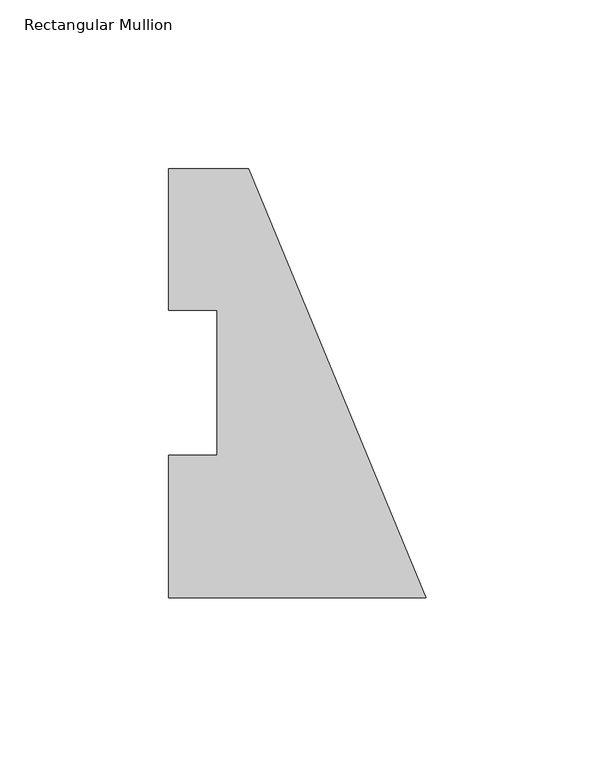
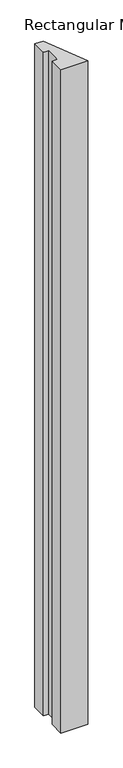
"""IFC4 building model written with IfcOpenShell, lengths in millimetres: member geometry, Rectangular Mullion."""

import ifcopenshell
import ifcopenshell.guid

model = None  # the IFC model being written
_history = None  # IfcOwnerHistory: only IFC2X3 demands one
_inside = {}  # id of a spatial element -> (the spatial element, [elements in it])
_under = {}  # id of a project, library or spatial element -> (it, [spatial elements below it])
_declared = {}  # id of a project -> (the project, [libraries it declares])
_typed = {}  # id of a type object -> (the type object, [elements of that type])
_made_of = {}  # id of a material, layer set ... -> (it, [elements and type objects made of it])


def new_model(schema):
    """Start an empty IFC model of exactly this schema.

    Asked for "IFC4X3", IfcOpenShell would pick the latest addendum, in which some entities
    have other attributes; the version numbers below select the first issue.
    IFC2X3 requires an IfcOwnerHistory on every rooted entity: one is made here for all.
    """
    global model, _history
    if schema == "IFC4X3":
        model = ifcopenshell.file(schema_version=(4, 3, 0, 0))
    else:
        model = ifcopenshell.file(schema=schema)
    _inside.clear()
    _under.clear()
    _declared.clear()
    _typed.clear()
    _made_of.clear()
    _history = None
    if model.schema == "IFC2X3":
        org = make("IfcOrganization", Name="unknown")
        user = make(
            "IfcPersonAndOrganization",
            ThePerson=make("IfcPerson", FamilyName="unknown"),
            TheOrganization=org,
        )
        app = make(
            "IfcApplication",
            ApplicationDeveloper=org,
            Version="unknown",
            ApplicationFullName="unknown",
            ApplicationIdentifier="unknown",
        )
        _history = make(
            "IfcOwnerHistory",
            OwningUser=user,
            OwningApplication=app,
            ChangeAction="ADDED",
            CreationDate=0,
        )
    return model


def make(cls, **values):
    """One entity of the class cls with the attributes given. An attribute that is None is left unset."""
    return model.create_entity(
        cls, **{name: value for name, value in values.items() if value is not None}
    )


def rooted(cls, **values):
    """An entity with a GlobalId (a new one), such as an element, a storey or a relation."""
    return make(cls, GlobalId=ifcopenshell.guid.new(), OwnerHistory=_history, **values)


def si_unit(unit_type, name, prefix=None):
    """IfcSIUnit, for example si_unit("LENGTHUNIT", "METRE", prefix="MILLI")."""
    return make("IfcSIUnit", UnitType=unit_type, Prefix=prefix, Name=name)


def assignment(units):
    """IfcUnitAssignment: the units of a project."""
    return None if units is None else make("IfcUnitAssignment", Units=units)


def point(xyz):
    """IfcCartesianPoint."""
    return None if xyz is None else make("IfcCartesianPoint", Coordinates=xyz)


def direction(xyz):
    """IfcDirection."""
    return None if xyz is None else make("IfcDirection", DirectionRatios=xyz)


def frame(location, z_axis=None, x_axis=None):
    """IfcAxis2Placement3D, a coordinate frame: its origin and axes. An axis left out is left unset."""
    return make(
        "IfcAxis2Placement3D",
        Location=point(location),
        Axis=direction(z_axis),
        RefDirection=direction(x_axis),
    )


def origin():
    """The frame at (0, 0, 0) with its axes left unset."""
    return frame((0.0, 0.0, 0.0))


def place(relative_to, where):
    """IfcLocalPlacement: puts the frame where relative to a parent placement (None: the world)."""
    return make(
        "IfcLocalPlacement", PlacementRelTo=relative_to, RelativePlacement=where
    )


def context(
    kind, dimensions, precision=None, world=None, true_north=None, identifier=None
):
    """IfcGeometricRepresentationContext, for example the 3D "Model" context."""
    return make(
        "IfcGeometricRepresentationContext",
        ContextIdentifier=identifier,
        ContextType=kind,
        CoordinateSpaceDimension=dimensions,
        Precision=precision,
        WorldCoordinateSystem=world,
        TrueNorth=true_north,
    )


def project(units=None, contexts=None):
    """IfcProject with its units and contexts."""
    return rooted(
        "IfcProject",
        Name="project",
        RepresentationContexts=contexts,
        UnitsInContext=assignment(units),
    )


def spatial(cls, under=None, at=None, **own):
    """A site, building, storey or space (cls), placed at a placement, below another one or the project."""
    s = rooted(cls, ObjectPlacement=at, **own)
    if under is not None:
        _under.setdefault(under.id(), (under, []))[1].append(s)
    return s


def polyline(points):
    """IfcPolyline through the points."""
    return make("IfcPolyline", Points=[point(p) for p in points])


def outline(outer, holes=None, kind="AREA"):
    """IfcArbitraryClosedProfileDef: a profile drawn as a closed curve; with holes, ...WithVoids."""
    if holes is None:
        return make("IfcArbitraryClosedProfileDef", ProfileType=kind, OuterCurve=outer)
    return make(
        "IfcArbitraryProfileDefWithVoids",
        ProfileType=kind,
        OuterCurve=outer,
        InnerCurves=holes,
    )


def extrude(swept, where, along, depth):
    """IfcExtrudedAreaSolid: the profile swept, set in the frame where, extruded along a direction by depth."""
    return make(
        "IfcExtrudedAreaSolid",
        SweptArea=swept,
        Position=where,
        ExtrudedDirection=direction(along),
        Depth=depth,
    )


def shape(context_of_items, identifier, shape_type, items):
    """IfcShapeRepresentation: the items that make up one representation, for example the "Body"."""
    return make(
        "IfcShapeRepresentation",
        ContextOfItems=context_of_items,
        RepresentationIdentifier=identifier,
        RepresentationType=shape_type,
        Items=items,
    )


def source(mapping_origin, context_of_items, identifier, shape_type, items):
    """IfcRepresentationMap: a shape defined once, which mapped items show again and again."""
    return make(
        "IfcRepresentationMap",
        MappingOrigin=mapping_origin,
        MappedRepresentation=shape(context_of_items, identifier, shape_type, items),
    )


def transform(
    local_origin,
    x_axis=None,
    y_axis=None,
    z_axis=None,
    scale=None,
    scale2=None,
    scale3=None,
    uniform=True,
):
    """IfcCartesianTransformationOperator3D, or its non-uniform kind. x_axis, y_axis, z_axis: its Axis1, 2, 3."""
    if uniform:
        return make(
            "IfcCartesianTransformationOperator3D",
            Axis1=direction(x_axis),
            Axis2=direction(y_axis),
            LocalOrigin=point(local_origin),
            Scale=scale,
            Axis3=direction(z_axis),
        )
    return make(
        "IfcCartesianTransformationOperator3DnonUniform",
        Axis1=direction(x_axis),
        Axis2=direction(y_axis),
        LocalOrigin=point(local_origin),
        Scale=scale,
        Axis3=direction(z_axis),
        Scale2=scale2,
        Scale3=scale3,
    )


def mapped(mapping_source, mapping_target):
    """IfcMappedItem: shows the shape of a source again, moved by a transform."""
    return make(
        "IfcMappedItem", MappingSource=mapping_source, MappingTarget=mapping_target
    )


def made_of(thing, what):
    """Note that an element or type object is made of a material, layer set ...; save() writes the relation."""
    if what is not None:
        _made_of.setdefault(what.id(), (what, []))[1].append(thing)
    return thing


def element(
    cls,
    number,
    at=None,
    inside=None,
    cuts=None,
    type_object=None,
    material=None,
    context=None,
    identifier="Body",
    shape_type=None,
    held_by="IfcProductDefinitionShape",
    body=None,
    shapes=None,
    **own,
):
    """One element of the class cls, such as IfcWall. Its Tag is "e" and its number.

    at: its placement. inside: the storey or other place that contains it. cuts: it is an
    opening in that element (IfcRelVoidsElement). A single representation is given by context,
    identifier, shape_type and body (its items); several are given by shapes. held_by: the class
    of the entity that holds the representations. save() writes the other relations.
    """
    e = rooted(cls, Tag="e%d" % number, ObjectPlacement=at, **own)
    if body is not None:
        shapes = [shape(context, identifier, shape_type, body)]
    if shapes is not None:
        e.Representation = make(held_by, Representations=shapes)
    if inside is not None:
        _inside.setdefault(inside.id(), (inside, []))[1].append(e)
    if cuts is not None:
        rooted(
            "IfcRelVoidsElement", RelatingBuildingElement=cuts, RelatedOpeningElement=e
        )
    if type_object is not None:
        _typed.setdefault(type_object.id(), (type_object, []))[1].append(e)
    return made_of(e, material)


def aggregate(whole, parts):
    """IfcRelAggregates: a whole, such as a stair, and the parts it consists of."""
    return rooted("IfcRelAggregates", RelatingObject=whole, RelatedObjects=parts)


def save(model, path):
    """Write the relations noted so far, then the file.

    IfcRelAggregates (storeys below a building ...), IfcRelContainedInSpatialStructure (elements
    in a storey), IfcRelDefinesByType, IfcRelAssociatesMaterial and IfcRelDeclares: one each for
    every whole, place, type object, material and project.
    """
    for whole, parts in _under.values():
        aggregate(whole, parts)
    for where, things in _inside.values():
        rooted(
            "IfcRelContainedInSpatialStructure",
            RelatedElements=things,
            RelatingStructure=where,
        )
    for kind, things in _typed.values():
        rooted("IfcRelDefinesByType", RelatedObjects=things, RelatingType=kind)
    for what, things in _made_of.values():
        rooted("IfcRelAssociatesMaterial", RelatedObjects=things, RelatingMaterial=what)
    for by, libraries in _declared.values():
        rooted("IfcRelDeclares", RelatingContext=by, RelatedDefinitions=libraries)
    model.write(path)


def rectangular_mullion_88450862(model_context):
    return source(origin(), model_context, "Body", "SweptSolid", [
        extrude(outline(polyline([(-76.2, 85.1296875), (-76.2, 126.9705908), (-52.6051224, 126.9705908), (0.0, -0.0294092), (-76.2, -0.0294092), (-76.2, 42.2798875), (-61.91504, 42.2798875), (-61.91504, 85.1296875), (-76.2, 85.1296875)])), frame((0.0, 0.0, -1980.9591858), z_axis=(0.0, 0.0, 1.0), x_axis=(1.0, 0.0, 0.0)), (0.0, 0.0, 1.0), 1980.9591858),
    ])


if __name__ == "__main__":
    model = new_model("IFC4")
    model_context = context("Model", 3, world=origin())
    ifc_project = project(units=[si_unit("LENGTHUNIT", "METRE", prefix="MILLI")], contexts=[model_context])
    site = spatial("IfcSite", under=ifc_project)
    building = spatial("IfcBuilding", under=site)
    placement = place(None, origin())
    rectangular_mullion_shape = rectangular_mullion_88450862(model_context)
    element("IfcMember", 1, ObjectType="Rectangular Mullion", at=placement, inside=building, context=model_context, shape_type="MappedRepresentation", body=[
        mapped(rectangular_mullion_shape, transform((0.0, 0.0, 0.0), x_axis=(1.0, 0.0, 0.0), y_axis=(0.0, 1.0, 0.0), z_axis=(0.0, 0.0, 1.0))),
    ])
    save(model, "model.ifc")
